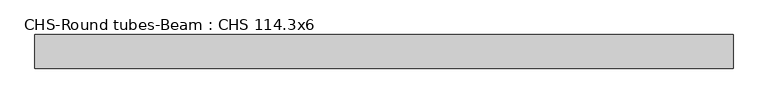
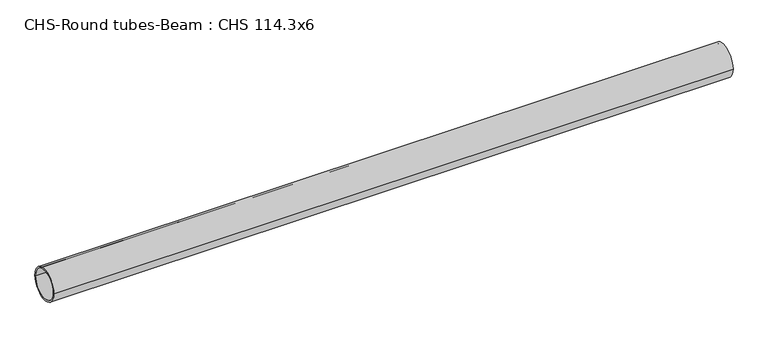
"""IFC4 building model written with IfcOpenShell, lengths in millimetres: beam geometry, CHS-Round tubes-Beam : CHS 114.3x6."""

from ifc_helpers import new_model, si_unit, point, frame, origin, origin_2d, place, context, project, spatial, circle_curve, trimmed, segment, composite_curve, outline, extrude, source, transform, mapped, element, save


def chs_round_tubes_beam_chs_114_3x6_d299b3d0(model_context):
    return source(origin(), model_context, "Body", "SweptSolid", [
        extrude(outline(composite_curve([segment(trimmed(circle_curve(origin_2d(), 57.15), [point((57.15, 0.0))], [point((-57.15, 0.0))], False, "CARTESIAN"), True, "CONTINUOUS"), segment(trimmed(circle_curve(origin_2d(), 57.15), [point((-57.15, 0.0))], [point((57.15, 0.0))], False, "CARTESIAN"), True, "CONTINUOUS")], self_intersect=False), holes=[composite_curve([segment(trimmed(circle_curve(origin_2d(), 51.15), [point((51.15, 0.0))], [point((-51.15, 0.0))], True, "CARTESIAN"), True, "CONTINUOUS"), segment(trimmed(circle_curve(origin_2d(), 51.15), [point((-51.15, 0.0))], [point((51.15, 0.0))], True, "CARTESIAN"), True, "CONTINUOUS")], self_intersect=False)]), frame((-1121.0669191, 0.0, 0.0), z_axis=(1.0, 0.0, 0.0), x_axis=(0.0, 1.0, 0.0)), (0.0, 0.0, 1.0), 2372.6465877),
    ])


if __name__ == "__main__":
    model = new_model("IFC4")
    model_context = context("Model", 3, world=origin())
    ifc_project = project(units=[si_unit("LENGTHUNIT", "METRE", prefix="MILLI")], contexts=[model_context])
    site = spatial("IfcSite", under=ifc_project)
    building = spatial("IfcBuilding", under=site)
    placement = place(None, origin())
    chs_round_tubes_beam_chs_114_3x6_shape = chs_round_tubes_beam_chs_114_3x6_d299b3d0(model_context)
    element("IfcBeam", 1, ObjectType="CHS-Round tubes-Beam : CHS 114.3x6", at=placement, inside=building, context=model_context, shape_type="MappedRepresentation", body=[
        mapped(chs_round_tubes_beam_chs_114_3x6_shape, transform((0.0, 0.0, 0.0), x_axis=(1.0, 0.0, 0.0), y_axis=(0.0, 1.0, 0.0), z_axis=(0.0, 0.0, 1.0))),
    ])
    save(model, "model.ifc")
